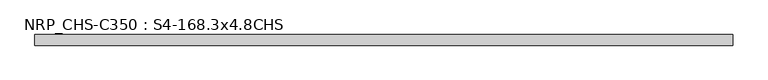
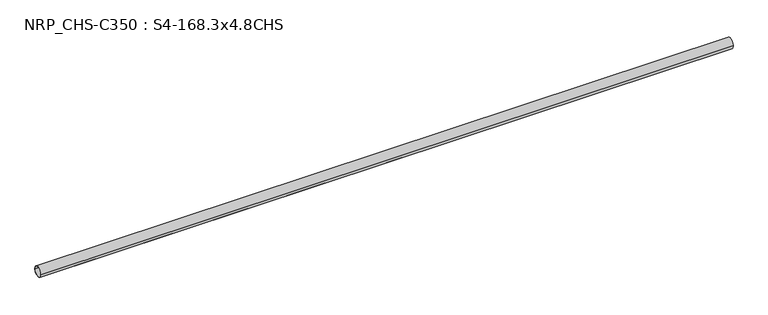
"""IFC4 building model written with IfcOpenShell, lengths in millimetres: beam geometry, NRP_CHS-C350 : S4-168.3x4.8CHS."""

from ifc_helpers import new_model, si_unit, point, frame, origin, origin_2d, place, context, project, spatial, circle_curve, trimmed, segment, composite_curve, outline, extrude, source, transform, mapped, element, save


def nrp_chs_c350_s4_168_3x4_8chs_9b8b15b3(model_context):
    return source(origin(), model_context, "Body", "SweptSolid", [
        extrude(outline(composite_curve([segment(trimmed(circle_curve(origin_2d(), 84.15), [point((-84.15, 0.0))], [point((84.15, 0.0))], False, "CARTESIAN"), True, "CONTINUOUS"), segment(trimmed(circle_curve(origin_2d(), 84.15), [point((84.15, 0.0))], [point((-84.15, 0.0))], False, "CARTESIAN"), True, "CONTINUOUS")], self_intersect=False), holes=[composite_curve([segment(trimmed(circle_curve(origin_2d(), 79.35), [point((79.35, 0.0))], [point((-79.35, 0.0))], True, "CARTESIAN"), True, "CONTINUOUS"), segment(trimmed(circle_curve(origin_2d(), 79.35), [point((-79.35, 0.0))], [point((79.35, 0.0))], True, "CARTESIAN"), True, "CONTINUOUS")], self_intersect=False)]), frame((-5507.5, 0.0, 0.0), z_axis=(1.0, 0.0, 0.0), x_axis=(0.0, 1.0, 0.0)), (0.0, 0.0, 1.0), 11055.4),
    ])


if __name__ == "__main__":
    model = new_model("IFC4")
    model_context = context("Model", 3, world=origin())
    ifc_project = project(units=[si_unit("LENGTHUNIT", "METRE", prefix="MILLI")], contexts=[model_context])
    site = spatial("IfcSite", under=ifc_project)
    building = spatial("IfcBuilding", under=site)
    placement = place(None, origin())
    nrp_chs_c350_s4_168_3x4_8chs_shape = nrp_chs_c350_s4_168_3x4_8chs_9b8b15b3(model_context)
    element("IfcBeam", 1, ObjectType="NRP_CHS-C350 : S4-168.3x4.8CHS", at=placement, inside=building, context=model_context, shape_type="MappedRepresentation", body=[
        mapped(nrp_chs_c350_s4_168_3x4_8chs_shape, transform((0.0, 0.0, 0.0), x_axis=(1.0, 0.0, 0.0), y_axis=(0.0, 1.0, 0.0), z_axis=(0.0, 0.0, 1.0))),
    ])
    save(model, "model.ifc")
